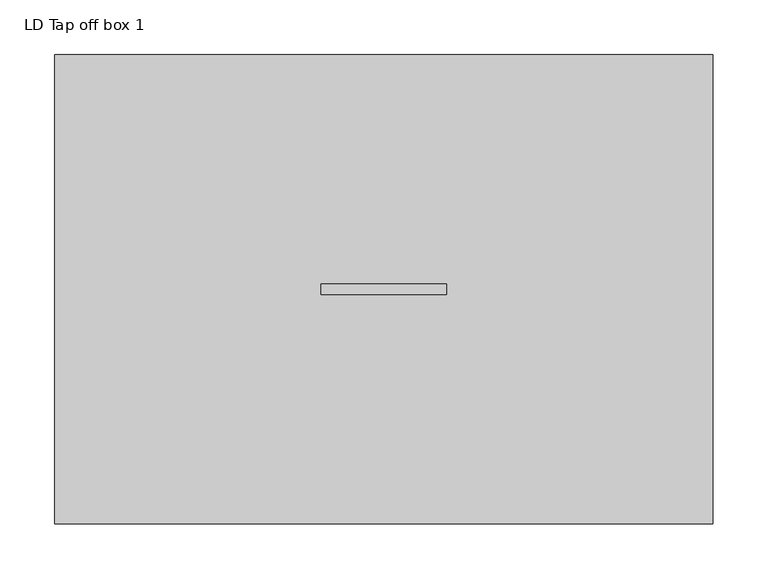
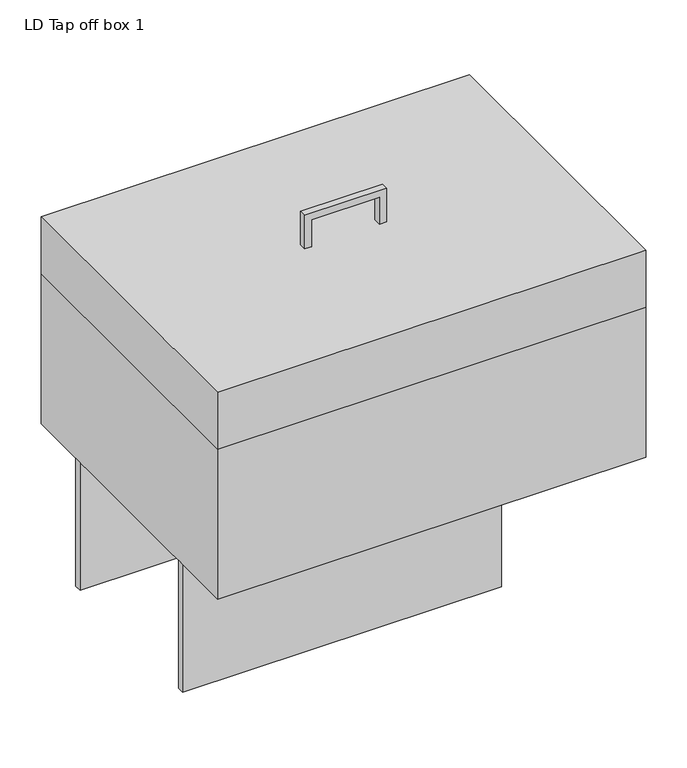
"""IFC4 building model written with IfcOpenShell, lengths in millimetres: proxy geometry, LD Tap off box 1."""

from ifc_helpers import new_model, si_unit, frame, origin, origin_with_axes, place, context, project, spatial, polyline, outline, extrude, source, transform, mapped, element, save


def ld_tap_off_box_1_dc7e4099(model_context):
    return source(origin(), model_context, "Body", "SweptSolid", [
        extrude(outline(polyline([(363.0, 244.0), (313.0, 244.0), (313.0, 254.0), (353.0, 254.0), (353.0, 349.0), (313.0, 349.0), (313.0, 359.0), (363.0, 359.0), (363.0, 244.0)])), frame((0.0, -5.0, 0.0), z_axis=(0.0, 1.0, 0.0), x_axis=(0.0, 0.0, 1.0)), (0.0, 0.0, 1.0), 10.0),
        extrude(outline(polyline([(449.0, 130.0), (449.0, 120.0), (0.0, 120.0), (0.0, 130.0), (449.0, 130.0)])), frame((0.0, 0.0, -185.0), z_axis=(0.0, 0.0, 1.0), x_axis=(1.0, 0.0, 0.0)), (0.0, 0.0, 1.0), 190.0),
        extrude(outline(polyline([(449.0, -120.0), (449.0, -130.0), (0.0, -130.0), (0.0, -120.0), (449.0, -120.0)])), frame((0.0, 0.0, -185.0), z_axis=(0.0, 0.0, 1.0), x_axis=(1.0, 0.0, 0.0)), (0.0, 0.0, 1.0), 190.0),
        extrude(outline(polyline([(603.0, 215.0), (603.0, -215.0), (0.0, -215.0), (0.0, 215.0), (603.0, 215.0)])), frame((0.0, 0.0, 228.0), z_axis=(0.0, 0.0, 1.0), x_axis=(1.0, 0.0, 0.0)), (0.0, 0.0, 1.0), 85.0),
        extrude(outline(polyline([(603.0, 215.0), (603.0, -215.0), (0.0, -215.0), (0.0, 215.0), (603.0, 215.0)])), frame((0.0, 0.0, 5.0), z_axis=(0.0, 0.0, 1.0), x_axis=(1.0, 0.0, 0.0)), (0.0, 0.0, 1.0), 223.0),
        extrude(outline(polyline([(221.5, 120.0), (221.5, -120.0), (41.5, -120.0), (41.5, 120.0), (221.5, 120.0)])), origin_with_axes(), (0.0, 0.0, 1.0), 5.0),
    ])


if __name__ == "__main__":
    model = new_model("IFC4")
    model_context = context("Model", 3, world=origin())
    ifc_project = project(units=[si_unit("LENGTHUNIT", "METRE", prefix="MILLI")], contexts=[model_context])
    site = spatial("IfcSite", under=ifc_project)
    building = spatial("IfcBuilding", under=site)
    placement = place(None, origin())
    ld_tap_off_box_1_shape = ld_tap_off_box_1_dc7e4099(model_context)
    element("IfcBuildingElementProxy", 1, Name="LD Tap off box 1", ObjectType="LD Tap off box 1", at=placement, inside=building, context=model_context, shape_type="MappedRepresentation", body=[
        mapped(ld_tap_off_box_1_shape, transform((0.0, 0.0, 0.0), x_axis=(1.0, 0.0, 0.0), y_axis=(0.0, 1.0, 0.0), z_axis=(0.0, 0.0, 1.0))),
    ])
    save(model, "model.ifc")
